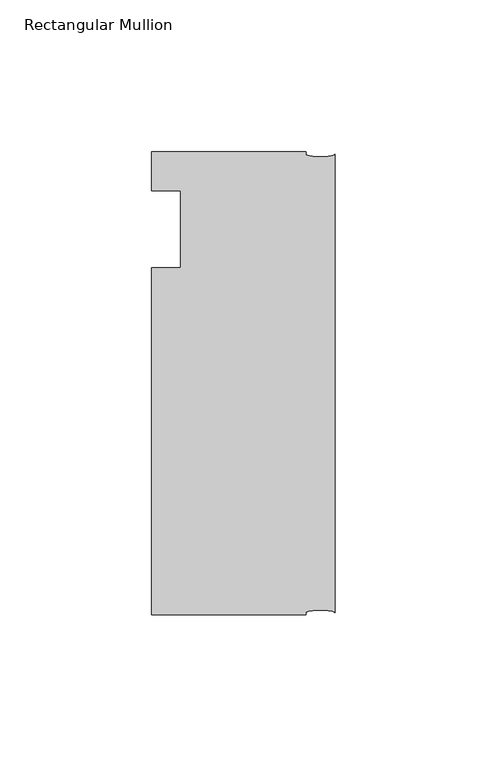
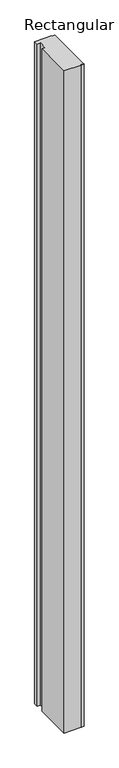
"""IFC4 building model written with IfcOpenShell, lengths in millimetres: member geometry, Rectangular Mullion."""

from ifc_helpers import new_model, si_unit, point, frame, origin, place, context, project, spatial, ellipse_curve, trimmed, source, transform, mapped, element, save
from ifc_brep_helpers import plane_surface, extruded_surface, advanced_brep


def rectangular_mullion_446114b0(model_context):
    return source(origin(), model_context, "Body", "AdvancedBrep", [
        advanced_brep(
        [(-60.325, -139.7, 0.0), (-9.525, -139.7, 0.0), (-9.525, -138.90625, 0.0), (0.0, -138.90625, 0.0), (0.0, 11.90625, 0.0), (-9.525, 11.90625, 0.0), (-9.525, 12.7, 0.0), (-60.325, 12.7, 0.0), (-60.325, 0.0, 0.0), (-50.8, 0.0, 0.0), (-50.8, -25.4, 0.0), (-60.325, -25.4, 0.0), (-60.325, -139.7, -2092.325), (-60.325, -25.4, -2092.325), (-50.8, -25.4, -2092.325), (-50.8, 0.0, -2092.325), (-60.325, 0.0, -2092.325), (-60.325, 12.7, -2092.325), (-9.525, 12.7, -2092.325), (-9.525, 11.90625, -2092.325), (0.0, 11.90625, -2092.325), (0.0, -138.90625, -2092.325), (-9.525, -138.90625, -2092.325), (-9.525, -139.7, -2092.325)],
        [
            (0, 1),
            (1, 2),
            (2, 3, ellipse_curve(frame((-4.7625, -138.90625, 0.0), z_axis=(0.0, 0.0, -1.0), x_axis=(-1.0, 0.0, 0.0)), 4.7625, 0.79375)),
            (3, 4),
            (4, 5, ellipse_curve(frame((-4.7625, 11.90625, 0.0), z_axis=(0.0, 0.0, -1.0), x_axis=(-1.0, 0.0, 0.0)), 4.7625, 0.79375)),
            (5, 6),
            (6, 7),
            (7, 8),
            (8, 9),
            (9, 10),
            (10, 11),
            (11, 0),
            (12, 13),
            (13, 14),
            (14, 15),
            (15, 16),
            (16, 17),
            (17, 18),
            (18, 19),
            (19, 20, ellipse_curve(frame((-4.7625, 11.90625, -2092.325), z_axis=(0.0, 0.0, 1.0), x_axis=(-1.0, 0.0, 0.0)), 4.7625, 0.79375)),
            (20, 21),
            (21, 22, ellipse_curve(frame((-4.7625, -138.90625, -2092.325), z_axis=(0.0, 0.0, 1.0), x_axis=(-1.0, 0.0, 0.0)), 4.7625, 0.79375)),
            (22, 23),
            (23, 12),
            (0, 12),
            (23, 1),
            (22, 2),
            (21, 3),
            (20, 4),
            (19, 5),
            (18, 6),
            (17, 7),
            (16, 8),
            (15, 9),
            (14, 10),
            (13, 11),
        ],
        [
            plane_surface(frame((0.0, -152.1683135, 0.0), z_axis=(0.0, 0.0, 1.0), x_axis=(-1.0, 0.0, 0.0))),
            plane_surface(frame((0.0, -152.1683135, -2092.325), z_axis=(0.0, 0.0, -1.0), x_axis=(-1.0, 0.0, 0.0))),
            plane_surface(frame((-60.325, -139.7, 0.0), z_axis=(0.0, -1.0, 0.0), x_axis=(0.0, 0.0, -1.0))),
            plane_surface(frame((-9.525, -139.7, 0.0), z_axis=(1.0, 0.0, 0.0), x_axis=(0.0, 0.0, -1.0))),
            extruded_surface(trimmed(ellipse_curve(frame((-4.7625, -138.90625, -2092.325), z_axis=(0.0, 0.0, -1.0), x_axis=(-1.0, 0.0, 0.0)), 4.7625, 0.79375), [point((-9.525, -138.90625, -2092.325))], [point((0.0, -138.90625, -2092.325))], True, "CARTESIAN"), (0.0, 0.0, 2092.325), 2092.325),
            plane_surface(frame((0.0, -138.90625, 0.0), z_axis=(1.0, 0.0, 0.0), x_axis=(0.0, 0.0, -1.0))),
            extruded_surface(trimmed(ellipse_curve(frame((-4.7625, 11.90625, -2092.325), z_axis=(0.0, 0.0, -1.0), x_axis=(-1.0, 0.0, 0.0)), 4.7625, 0.79375), [point((0.0, 11.90625, -2092.325))], [point((-9.525, 11.90625, -2092.325))], True, "CARTESIAN"), (0.0, 0.0, 2092.325), 2092.325),
            plane_surface(frame((-9.525, 11.90625, 0.0), z_axis=(1.0, 0.0, 0.0), x_axis=(0.0, 0.0, -1.0))),
            plane_surface(frame((-9.525, 12.7, 0.0), z_axis=(0.0, 1.0, 0.0), x_axis=(0.0, 0.0, -1.0))),
            plane_surface(frame((-60.325, 12.7, 0.0), z_axis=(-1.0, 0.0, 0.0), x_axis=(0.0, 0.0, -1.0))),
            plane_surface(frame((-60.325, 0.0, 0.0), z_axis=(0.0, -1.0, 0.0), x_axis=(0.0, 0.0, -1.0))),
            plane_surface(frame((-50.8, 0.0, 0.0), z_axis=(-1.0, 0.0, 0.0), x_axis=(0.0, 0.0, -1.0))),
            plane_surface(frame((-50.8, -25.4, 0.0), z_axis=(0.0, 1.0, 0.0), x_axis=(0.0, 0.0, -1.0))),
            plane_surface(frame((-60.325, -25.4, 0.0), z_axis=(-1.0, 0.0, 0.0), x_axis=(0.0, 0.0, -1.0))),
        ],
        [
            (0, [[1, 2, 3, 4, 5, 6, 7, 8, 9, 10, 11, 12]]),
            (1, [[13, 14, 15, 16, 17, 18, 19, 20, 21, 22, 23, 24]]),
            (2, [[-1, 25, -24, 26]]),
            (3, [[-2, -26, -23, 27]]),
            (4, [[-3, -27, -22, 28]]),
            (5, [[-4, -28, -21, 29]]),
            (6, [[-5, -29, -20, 30]]),
            (7, [[-6, -30, -19, 31]]),
            (8, [[-7, -31, -18, 32]]),
            (9, [[-8, -32, -17, 33]]),
            (10, [[-9, -33, -16, 34]]),
            (11, [[-10, -34, -15, 35]]),
            (12, [[-11, -35, -14, 36]]),
            (13, [[-12, -36, -13, -25]]),
        ],
    ),
    ])


if __name__ == "__main__":
    model = new_model("IFC4")
    model_context = context("Model", 3, world=origin())
    ifc_project = project(units=[si_unit("LENGTHUNIT", "METRE", prefix="MILLI")], contexts=[model_context])
    site = spatial("IfcSite", under=ifc_project)
    building = spatial("IfcBuilding", under=site)
    placement = place(None, origin())
    rectangular_mullion_shape = rectangular_mullion_446114b0(model_context)
    element("IfcMember", 1, ObjectType="Rectangular Mullion", at=placement, inside=building, context=model_context, shape_type="MappedRepresentation", body=[
        mapped(rectangular_mullion_shape, transform((0.0, 0.0, 0.0), x_axis=(1.0, 0.0, 0.0), y_axis=(0.0, 1.0, 0.0), z_axis=(0.0, 0.0, 1.0))),
    ])
    save(model, "model.ifc")
